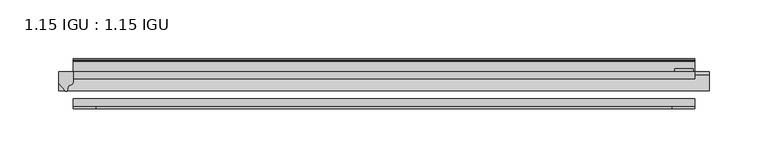
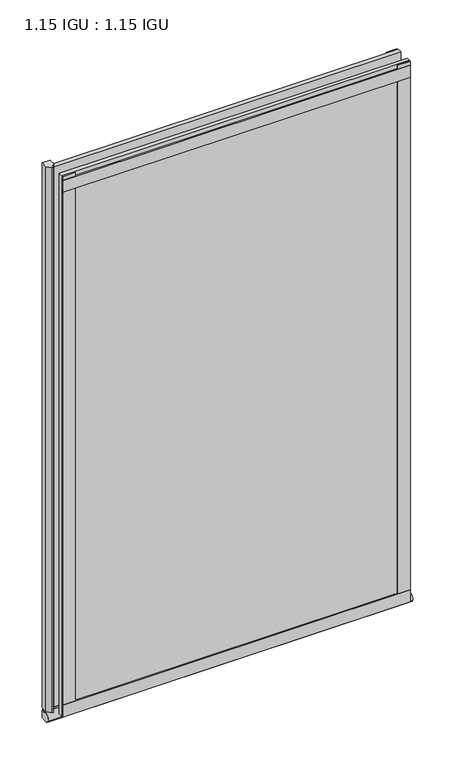
"""IFC4 building model written with IfcOpenShell, lengths in millimetres: plate geometry, 1.15 IGU : 1.15 IGU."""

from ifc_helpers import new_model, si_unit, point, frame, frame_2d, origin, place, context, project, spatial, polyline, circle_curve, ellipse_curve, trimmed, segment, composite_curve, outline, extrude, source, transform, mapped, element, save
from ifc_brep_helpers import plane_surface, revolved_surface, extruded_surface, advanced_brep


def plate_1_15_igu_1_15_igu_4e94d81d(model_context):
    return source(origin(), model_context, "Body", "SolidModel", [
        extrude(outline(polyline([(265.11885, 0.0), (265.11885, -6.2992), (-265.11885, -6.2992), (-265.11885, 0.0), (265.11885, 0.0)])), frame((0.0, 0.0, -19.05), z_axis=(0.0, 0.0, 1.0), x_axis=(1.0, 0.0, 0.0)), (0.0, 0.0, 1.0), 869.9368072),
        extrude(outline(polyline([(-265.11885, -23.1648), (265.11885, -23.1648), (265.11885, -29.464), (-265.11885, -29.464), (-265.11885, -23.1648)])), frame((0.0, 0.0, -19.05), z_axis=(0.0, 0.0, 1.0), x_axis=(1.0, 0.0, 0.0)), (0.0, 0.0, 1.0), 869.9368072),
        advanced_brep(
        [(277.81885, -2.9334208, -29.3692082), (277.81885, -15.7658436, -30.8313288), (277.81885, -6.7904952, -34.925), (277.81885, 0.0, -34.925), (277.81885, 0.0, -22.225), (277.81885, -2.5187477, -22.225), (-277.81885, -2.9073519, -29.3720514), (-277.81885, -2.5187477, -22.225), (-277.81885, 0.0, -22.225), (-277.81885, 0.0, -34.925), (-277.81885, -6.7904952, -34.925), (-277.81885, -15.7658436, -30.8313288)],
        [
            (0, 1, ellipse_curve(frame((277.81885, -9.5065066, -28.575), z_axis=(1.0, 0.0, 0.0), x_axis=(0.0, 0.0, -1.0)), 6.9638038, 6.6162554)),
            (1, 2, ellipse_curve(frame((277.81885, -9.5065066, -28.575), z_axis=(1.0, 0.0, 0.0), x_axis=(0.0, 0.0, -1.0)), 6.9638038, 6.6162554)),
            (2, 3),
            (3, 4, circle_curve(frame((277.81885, 24.1576838, -28.575), z_axis=(-1.0, 0.0, 0.0), x_axis=(0.0, 0.0, 1.0)), 24.9783143)),
            (4, 5),
            (5, 0, circle_curve(frame((277.81885, -68.4358767, -22.225), z_axis=(-1.0, 0.0, 0.0), x_axis=(0.0, 0.0, 1.0)), 65.917129)),
            (6, 7, circle_curve(frame((-277.81885, -68.4358767, -22.225), z_axis=(1.0, 0.0, 0.0), x_axis=(0.0, 0.0, 1.0)), 65.917129)),
            (7, 8),
            (8, 9, circle_curve(frame((-277.81885, 24.1576838, -28.575), z_axis=(1.0, 0.0, 0.0), x_axis=(0.0, 0.0, 1.0)), 24.9783143)),
            (9, 10),
            (10, 11, ellipse_curve(frame((-277.81885, -9.5065066, -28.575), z_axis=(-1.0, 0.0, 0.0), x_axis=(0.0, 0.0, -1.0)), 6.9638038, 6.6162554)),
            (11, 6, ellipse_curve(frame((-277.81885, -9.5065066, -28.575), z_axis=(-1.0, 0.0, 0.0), x_axis=(0.0, 0.0, -1.0)), 6.9638038, 6.6162554)),
            (0, 6),
            (11, 1),
            (10, 2),
            (9, 3),
            (8, 4),
            (7, 5),
        ],
        [
            plane_surface(frame((277.81885, 0.0, -28.575), z_axis=(1.0, 0.0, 0.0), x_axis=(0.0, 1.0, 0.0))),
            plane_surface(frame((-277.81885, 0.0, -28.575), z_axis=(-1.0, 0.0, 0.0), x_axis=(0.0, 1.0, 0.0))),
            extruded_surface(trimmed(ellipse_curve(frame((-277.81885, -9.5065066, -28.575), z_axis=(1.0, 0.0, 0.0), x_axis=(0.0, 0.0, -1.0)), 6.9638038, 6.6162554), [point((-277.81885, -2.9334208, -29.3692082))], [point((-277.81885, -15.7658436, -30.8313288))], True, "CARTESIAN"), (555.6377, 0.0, 0.0), 555.6377),
            extruded_surface(trimmed(ellipse_curve(frame((-277.81885, -9.5065066, -28.575), z_axis=(1.0, 0.0, 0.0), x_axis=(0.0, 0.0, -1.0)), 6.9638038, 6.6162554), [point((-277.81885, -15.7658436, -30.8313288))], [point((-277.81885, -6.7904952, -34.925))], True, "CARTESIAN"), (555.6377, 0.0, 0.0), 555.6377),
            plane_surface(frame((277.81885, -6.7904952, -34.925), z_axis=(0.0, 0.0, -1.0), x_axis=(-1.0, 0.0, 0.0))),
            revolved_surface(polyline([(-277.81885, 24.1576838, -3.5966856999999983), (277.81885, 24.1576838, -3.5966856999999983)]), (277.81885, 24.1576838, -28.575), (-1.0, 0.0, 0.0)),
            plane_surface(frame((277.81885, 0.0, -22.225), z_axis=(0.0, 0.0, 1.0), x_axis=(-1.0, 0.0, 0.0))),
            revolved_surface(polyline([(-277.81885, -68.4358767, 43.692129), (277.81885, -68.4358767, 43.692129)]), (277.81885, -68.4358767, -22.225), (-1.0, 0.0, 0.0)),
        ],
        [
            (0, [[1, 2, 3, 4, 5, 6]]),
            (1, [[7, 8, 9, 10, 11, 12]]),
            (2, [[-1, 13, -12, 14]]),
            (3, [[-2, -14, -11, 15]]),
            (4, [[-3, -15, -10, 16]]),
            (5, [[-4, -16, -9, 17]]),
            (6, [[-5, -17, -8, 18]]),
            (7, [[-6, -18, -7, -13]]),
        ],
    ),
        extrude(outline(composite_curve([segment(polyline([(-265.11885, 8.8e-06), (-265.11885, -7.7683362)]), True, "CONTINUOUS"), segment(trimmed(circle_curve(frame_2d((-269.0903479, -7.7683362)), 3.9714979), [point((-265.11885, -7.7683362))], [point((-269.2177998, -11.7377885))], False, "CARTESIAN"), True, "CONTINUOUS"), segment(polyline([(-269.2177998, -11.7377885), (-270.1978343, -16.012436)]), True, "CONTINUOUS"), segment(trimmed(circle_curve(frame_2d((-271.2990433, -15.7723555)), 1.1270758), [point((-270.1978343, -16.012436))], [point((-272.2528827, -16.372764))], False, "CARTESIAN"), True, "CONTINUOUS"), segment(polyline([(-272.2528827, -16.372764), (-277.81885, -9.7395025), (-277.81885, 8.8e-06), (-265.11885, 8.8e-06)]), True, "CONTINUOUS")], self_intersect=False)), frame((0.0, 0.0, -19.05), z_axis=(0.0, 0.0, 1.0), x_axis=(1.0, 0.0, 0.0)), (0.0, 0.0, 1.0), 877.0742072),
        extrude(outline(polyline([(-265.11885, -31.75), (-265.11885, -29.464), (265.11885, -29.464), (265.11885, -31.75), (-265.11885, -31.75)])), frame((0.0, 0.0, -19.05), z_axis=(0.0, 0.0, 1.0), x_axis=(1.0, 0.0, 0.0)), (0.0, 0.0, 1.0), 19.05),
        extrude(outline(composite_curve([segment(polyline([(8.509, 840.7300284), (8.509, 838.6980284), (6.35, 838.6980284), (6.35, 833.3640284), (8.9492698, 833.3640284)]), True, "CONTINUOUS"), segment(trimmed(circle_curve(frame_2d((8.208689, 831.8368072)), 1.697311), [point((8.9492698, 833.3640284))], [point((8.962411, 830.3160284))], False, "CARTESIAN"), True, "CONTINUOUS"), segment(polyline([(8.962411, 830.3160284), (6.35, 830.3160284), (6.35, 825.4868072), (11.1252, 825.4868072), (11.1252, 824.5978072)]), True, "CONTINUOUS"), segment(trimmed(circle_curve(frame_2d((10.1092, 824.5978072)), 1.016), [point((11.1252, 824.5978072))], [point((10.1092, 823.5818072))], False, "CARTESIAN"), True, "CONTINUOUS"), segment(trimmed(circle_curve(frame_2d((10.1092, 804.1707318)), 19.4110754), [point((10.1092, 823.5818072))], [point((0.0, 820.7416075))], True, "CARTESIAN"), True, "CONTINUOUS"), segment(polyline([(0.0, 820.7416075), (0.0, 840.7300284), (8.509, 840.7300284)]), True, "CONTINUOUS")], self_intersect=False)), frame((-265.11885, 0.0, 0.0), z_axis=(1.0, 0.0, 0.0), x_axis=(0.0, 1.0, 0.0)), (0.0, 0.0, 1.0), 530.2377),
        extrude(outline(polyline([(-265.11885, -31.75), (-265.11885, -29.464), (265.11885, -29.464), (265.11885, -31.75), (-265.11885, -31.75)])), frame((0.0, 0.0, 825.4868072), z_axis=(0.0, 0.0, 1.0), x_axis=(1.0, 0.0, 0.0)), (0.0, 0.0, 1.0), 19.05),
        extrude(outline(polyline([(246.06885, -29.464), (265.11885, -29.464), (265.11885, -31.75), (246.06885, -31.75), (246.06885, -29.464)])), frame((0.0, 0.0, -19.05), z_axis=(0.0, 0.0, 1.0), x_axis=(1.0, 0.0, 0.0)), (0.0, 0.0, 1.0), 869.9368072),
        extrude(outline(polyline([(263.91235, 2.2860088), (263.91235, 0.0021347), (248.03735, 0.0021347), (248.03735, 2.2860088), (263.91235, 2.2860088)])), frame((0.0, 0.0, -19.05), z_axis=(0.0, 0.0, 1.0), x_axis=(1.0, 0.0, 0.0)), (0.0, 0.0, 1.0), 869.9368072),
        extrude(outline(polyline([(-265.11885, -31.75), (-265.11885, -29.464), (-246.06885, -29.464), (-246.06885, -31.75), (-265.11885, -31.75)])), frame((0.0, 0.0, -19.05), z_axis=(0.0, 0.0, 1.0), x_axis=(1.0, 0.0, 0.0)), (0.0, 0.0, 1.0), 869.9368072),
    ])


if __name__ == "__main__":
    model = new_model("IFC4")
    model_context = context("Model", 3, world=origin())
    ifc_project = project(units=[si_unit("LENGTHUNIT", "METRE", prefix="MILLI")], contexts=[model_context])
    site = spatial("IfcSite", under=ifc_project)
    building = spatial("IfcBuilding", under=site)
    placement = place(None, origin())
    plate_1_15_igu_1_15_igu_shape = plate_1_15_igu_1_15_igu_4e94d81d(model_context)
    element("IfcPlate", 1, ObjectType="1.15 IGU : 1.15 IGU", at=placement, inside=building, context=model_context, shape_type="MappedRepresentation", body=[
        mapped(plate_1_15_igu_1_15_igu_shape, transform((0.0, 0.0, 0.0), x_axis=(1.0, 0.0, 0.0), y_axis=(0.0, 1.0, 0.0), z_axis=(0.0, 0.0, 1.0))),
    ])
    save(model, "model.ifc")
